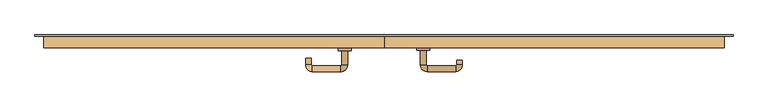
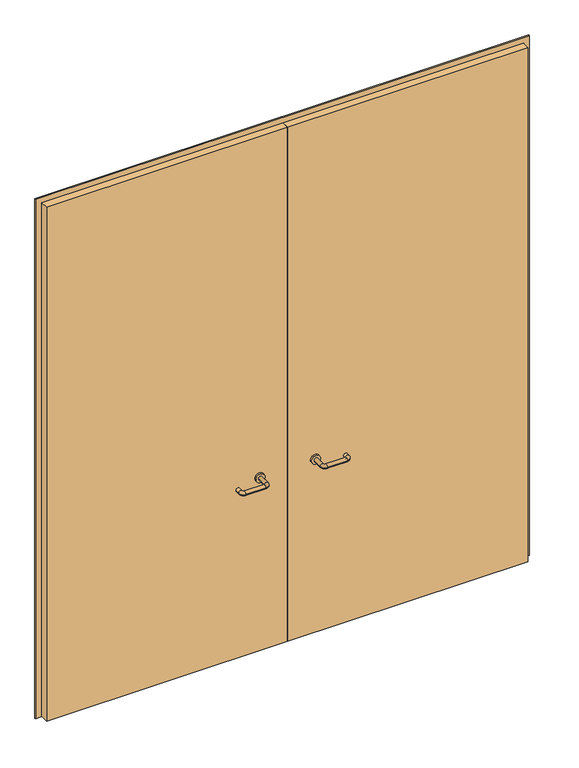
"""IFC4 building model written with IfcOpenShell, lengths in millimetres: door geometry."""

from ifc_helpers import new_model, si_unit, point, frame, frame_2d, origin, place, context, project, spatial, polyline, circle_curve, ellipse_curve, trimmed, segment, composite_curve, outline, extrude, source, transform, mapped, element, save
from ifc_brep_helpers import plane_surface, cylinder_surface, revolved_surface, advanced_brep


def door_ccc81433(model_context):
    return source(origin(), model_context, "Body", "SolidModel", [
        extrude(outline(polyline([(3000.0, -1350.0), (0.0, -1350.0), (0.0, -1318.0), (2968.0, -1318.0), (2968.0, 1318.0), (0.0, 1318.0), (0.0, 1350.0), (3000.0, 1350.0), (3000.0, -1350.0)])), frame((0.0, 10.0, 0.0), z_axis=(0.0, 1.0, 0.0), x_axis=(0.0, 0.0, 1.0)), (0.0, 0.0, 1.0), 5.82419),
        advanced_brep(
        [(140.99898, -44.0, 1003.0), (162.99898, -44.0, 1003.0), (140.99898, -99.3525369, 1003.0), (162.99898, -99.3525369, 1003.0), (166.99898, -103.3525369, 1003.0), (166.99898, -125.3525369, 1003.0), (276.99898, -125.3525369, 1003.0), (276.99898, -103.3525369, 1003.0), (280.99898, -99.3525369, 1003.0), (302.99898, -99.3525369, 1003.0), (302.99898, -82.0, 1003.0), (280.99898, -82.0, 1003.0)],
        [
            (0, 1, circle_curve(frame((151.99898, -44.0, 1003.0), z_axis=(0.0, 1.0, 0.0), x_axis=(1.0, 0.0, 0.0)), 11.0)),
            (1, 0, circle_curve(frame((151.99898, -44.0, 1003.0), z_axis=(0.0, 1.0, 0.0), x_axis=(1.0, 0.0, 0.0)), 11.0)),
            (0, 2),
            (2, 3, circle_curve(frame((151.99898, -99.3525369, 1003.0), z_axis=(0.0, 1.0, 0.0), x_axis=(1.0, 0.0, 0.0)), 11.0)),
            (3, 1),
            (3, 2, circle_curve(frame((151.99898, -99.3525369, 1003.0), z_axis=(0.0, 1.0, 0.0), x_axis=(1.0, 0.0, 0.0)), 11.0)),
            (4, 3, circle_curve(frame((166.99898, -99.3525369, 1003.0), z_axis=(0.0, 0.0, -1.0), x_axis=(-1.0, 0.0, 0.0)), 4.0)),
            (2, 5, circle_curve(frame((166.99898, -99.3525369, 1003.0), z_axis=(0.0, 0.0, 1.0), x_axis=(-1.0, 0.0, 0.0)), 26.0)),
            (5, 4, circle_curve(frame((166.99898, -114.3525369, 1003.0), z_axis=(-1.0, 0.0, 0.0), x_axis=(0.0, 1.0, 0.0)), 11.0)),
            (4, 5, circle_curve(frame((166.99898, -114.3525369, 1003.0), z_axis=(-1.0, 0.0, 0.0), x_axis=(0.0, 1.0, 0.0)), 11.0)),
            (5, 6),
            (6, 7, circle_curve(frame((276.99898, -114.3525369, 1003.0), z_axis=(-1.0, 0.0, 0.0), x_axis=(0.0, 1.0, 0.0)), 11.0)),
            (7, 4),
            (7, 6, circle_curve(frame((276.99898, -114.3525369, 1003.0), z_axis=(-1.0, 0.0, 0.0), x_axis=(0.0, 1.0, 0.0)), 11.0)),
            (8, 7, circle_curve(frame((276.99898, -99.3525369, 1003.0), z_axis=(0.0, 0.0, -1.0), x_axis=(0.0, -1.0, 0.0)), 4.0)),
            (6, 9, circle_curve(frame((276.99898, -99.3525369, 1003.0), z_axis=(0.0, 0.0, 1.0), x_axis=(0.0, -1.0, 0.0)), 26.0)),
            (9, 8, circle_curve(frame((291.99898, -99.3525369, 1003.0), z_axis=(0.0, -1.0, 0.0), x_axis=(-1.0, 0.0, 0.0)), 11.0)),
            (8, 9, circle_curve(frame((291.99898, -99.3525369, 1003.0), z_axis=(0.0, -1.0, 0.0), x_axis=(-1.0, 0.0, 0.0)), 11.0)),
            (10, 11, circle_curve(frame((291.99898, -82.0, 1003.0), z_axis=(0.0, 1.0, 0.0), x_axis=(-1.0, 0.0, 0.0)), 11.0)),
            (11, 10, circle_curve(frame((291.99898, -82.0, 1003.0), z_axis=(0.0, 1.0, 0.0), x_axis=(-1.0, 0.0, 0.0)), 11.0)),
            (9, 10),
            (11, 8),
        ],
        [
            plane_surface(frame((140.99898, -44.0, 1003.0), z_axis=(0.0, 1.0, 0.0), x_axis=(0.0, 0.0, -1.0))),
            cylinder_surface(frame((151.99898, -44.0, 1003.0), z_axis=(0.0, 1.0, 0.0), x_axis=(1.0, 0.0, 0.0)), 11.0),
            revolved_surface(trimmed(ellipse_curve(frame((151.99898, -99.3525369, 1003.0), z_axis=(0.0, 1.0, 0.0), x_axis=(1.0, 0.0, 0.0)), 11.0, 11.0), [point((140.99898, -99.3525369, 1003.0))], [point((162.99898, -99.3525369, 1003.0))], True, "CARTESIAN"), (166.99898, -99.3525369, 1003.0), (0.0, 0.0, 1.0)),
            revolved_surface(trimmed(ellipse_curve(frame((151.99898, -99.3525369, 1003.0), z_axis=(0.0, 1.0, 0.0), x_axis=(1.0, 0.0, 0.0)), 11.0, 11.0), [point((162.99898, -99.3525369, 1003.0))], [point((140.99898, -99.3525369, 1003.0))], True, "CARTESIAN"), (166.99898, -99.3525369, 1003.0), (0.0, 0.0, 1.0)),
            cylinder_surface(frame((166.99898, -114.3525369, 1003.0), z_axis=(-1.0, 0.0, 0.0), x_axis=(0.0, 1.0, 0.0)), 11.0),
            revolved_surface(trimmed(ellipse_curve(frame((276.99898, -114.3525369, 1003.0), z_axis=(-1.0, 0.0, 0.0), x_axis=(0.0, 1.0, 0.0)), 11.0, 11.0), [point((276.99898, -125.3525369, 1003.0))], [point((276.99898, -103.3525369, 1003.0))], True, "CARTESIAN"), (276.99898, -99.3525369, 1003.0), (0.0, 0.0, 1.0)),
            revolved_surface(trimmed(ellipse_curve(frame((276.99898, -114.3525369, 1003.0), z_axis=(-1.0, 0.0, 0.0), x_axis=(0.0, 1.0, 0.0)), 11.0, 11.0), [point((276.99898, -103.3525369, 1003.0))], [point((276.99898, -125.3525369, 1003.0))], True, "CARTESIAN"), (276.99898, -99.3525369, 1003.0), (0.0, 0.0, 1.0)),
            plane_surface(frame((280.99898, -82.0, 1003.0), z_axis=(0.0, 1.0, 0.0), x_axis=(0.0, 0.0, 1.0))),
            cylinder_surface(frame((291.99898, -99.3525369, 1003.0), z_axis=(0.0, -1.0, 0.0), x_axis=(-1.0, 0.0, 0.0)), 11.0),
        ],
        [
            (0, [[1, 2]]),
            (1, [[-1, 3, 4, 5]]),
            (1, [[-2, -5, 6, -3]]),
            (2, [[7, -4, 8, 9]]),
            (3, [[-8, -6, -7, 10]]),
            (4, [[-9, 11, 12, 13]]),
            (4, [[-10, -13, 14, -11]]),
            (5, [[15, -12, 16, 17]]),
            (6, [[-16, -14, -15, 18]]),
            (7, [[19, 20]]),
            (8, [[-17, 21, -20, 22]]),
            (8, [[-18, -22, -19, -21]]),
        ],
    ),
        extrude(outline(composite_curve([segment(trimmed(circle_curve(frame_2d((1003.0, 151.99898)), 25.0), [point((1003.0, 126.99898))], [point((1003.0, 176.99898))], False, "CARTESIAN"), True, "CONTINUOUS"), segment(trimmed(circle_curve(frame_2d((1003.0, 151.99898)), 25.0), [point((1003.0, 176.99898))], [point((1003.0, 126.99898))], False, "CARTESIAN"), True, "CONTINUOUS")], self_intersect=False)), frame((0.0, -44.0, 0.0), z_axis=(0.0, 1.0, 0.0), x_axis=(0.0, 0.0, 1.0)), (0.0, 0.0, 1.0), 10.0),
        advanced_brep(
        [(-162.99898, -44.3113879, 1003.0), (-140.99898, -44.3113879, 1003.0), (-162.99898, -99.7220447, 1003.0), (-140.99898, -99.7220447, 1003.0), (-166.99898, -125.7220447, 1003.0), (-166.99898, -103.7220447, 1003.0), (-276.99898, -103.7220447, 1003.0), (-276.99898, -125.7220447, 1003.0), (-302.99898, -99.7220447, 1003.0), (-280.99898, -99.7220447, 1003.0), (-280.99898, -74.7220447, 1003.0), (-302.99898, -74.7220447, 1003.0)],
        [
            (0, 1, circle_curve(frame((-151.99898, -44.3113879, 1003.0), z_axis=(0.0, 1.0, 0.0), x_axis=(1.0, 0.0, 0.0)), 11.0)),
            (1, 0, circle_curve(frame((-151.99898, -44.3113879, 1003.0), z_axis=(0.0, 1.0, 0.0), x_axis=(1.0, 0.0, 0.0)), 11.0)),
            (0, 2),
            (2, 3, circle_curve(frame((-151.99898, -99.7220447, 1003.0), z_axis=(0.0, 1.0, 0.0), x_axis=(1.0, 0.0, 0.0)), 11.0)),
            (3, 1),
            (3, 2, circle_curve(frame((-151.99898, -99.7220447, 1003.0), z_axis=(0.0, 1.0, 0.0), x_axis=(1.0, 0.0, 0.0)), 11.0)),
            (4, 3, circle_curve(frame((-166.99898, -99.7220447, 1003.0), z_axis=(0.0, 0.0, 1.0), x_axis=(1.0, 0.0, 0.0)), 26.0)),
            (2, 5, circle_curve(frame((-166.99898, -99.7220447, 1003.0), z_axis=(0.0, 0.0, -1.0), x_axis=(1.0, 0.0, 0.0)), 4.0)),
            (5, 4, circle_curve(frame((-166.99898, -114.7220447, 1003.0), z_axis=(1.0, 0.0, 0.0), x_axis=(0.0, -1.0, 0.0)), 11.0)),
            (4, 5, circle_curve(frame((-166.99898, -114.7220447, 1003.0), z_axis=(1.0, 0.0, 0.0), x_axis=(0.0, -1.0, 0.0)), 11.0)),
            (5, 6),
            (6, 7, circle_curve(frame((-276.99898, -114.7220447, 1003.0), z_axis=(1.0, 0.0, 0.0), x_axis=(0.0, -1.0, 0.0)), 11.0)),
            (7, 4),
            (7, 6, circle_curve(frame((-276.99898, -114.7220447, 1003.0), z_axis=(1.0, 0.0, 0.0), x_axis=(0.0, -1.0, 0.0)), 11.0)),
            (8, 7, circle_curve(frame((-276.99898, -99.7220447, 1003.0), z_axis=(0.0, 0.0, 1.0), x_axis=(0.0, -1.0, 0.0)), 26.0)),
            (6, 9, circle_curve(frame((-276.99898, -99.7220447, 1003.0), z_axis=(0.0, 0.0, -1.0), x_axis=(0.0, -1.0, 0.0)), 4.0)),
            (9, 8, circle_curve(frame((-291.99898, -99.7220447, 1003.0), z_axis=(0.0, -1.0, 0.0), x_axis=(-1.0, 0.0, 0.0)), 11.0)),
            (8, 9, circle_curve(frame((-291.99898, -99.7220447, 1003.0), z_axis=(0.0, -1.0, 0.0), x_axis=(-1.0, 0.0, 0.0)), 11.0)),
            (10, 11, circle_curve(frame((-291.99898, -74.7220447, 1003.0), z_axis=(0.0, 1.0, 0.0), x_axis=(-1.0, 0.0, 0.0)), 11.0)),
            (11, 10, circle_curve(frame((-291.99898, -74.7220447, 1003.0), z_axis=(0.0, 1.0, 0.0), x_axis=(-1.0, 0.0, 0.0)), 11.0)),
            (9, 10),
            (11, 8),
        ],
        [
            plane_surface(frame((-162.99898, -44.3113879, 1003.0), z_axis=(0.0, 1.0, 0.0), x_axis=(0.0, 0.0, -1.0))),
            cylinder_surface(frame((-151.99898, -44.3113879, 1003.0), z_axis=(0.0, 1.0, 0.0), x_axis=(1.0, 0.0, 0.0)), 11.0),
            revolved_surface(trimmed(ellipse_curve(frame((-151.99898, -99.7220447, 1003.0), z_axis=(0.0, 1.0, 0.0), x_axis=(1.0, 0.0, 0.0)), 11.0, 11.0), [point((-162.99898, -99.7220447, 1003.0))], [point((-140.99898, -99.7220447, 1003.0))], True, "CARTESIAN"), (-166.99898, -99.7220447, 1003.0), (0.0, 0.0, -1.0)),
            revolved_surface(trimmed(ellipse_curve(frame((-151.99898, -99.7220447, 1003.0), z_axis=(0.0, 1.0, 0.0), x_axis=(1.0, 0.0, 0.0)), 11.0, 11.0), [point((-140.99898, -99.7220447, 1003.0))], [point((-162.99898, -99.7220447, 1003.0))], True, "CARTESIAN"), (-166.99898, -99.7220447, 1003.0), (0.0, 0.0, -1.0)),
            cylinder_surface(frame((-166.99898, -114.7220447, 1003.0), z_axis=(1.0, 0.0, 0.0), x_axis=(0.0, -1.0, 0.0)), 11.0),
            revolved_surface(trimmed(ellipse_curve(frame((-276.99898, -114.7220447, 1003.0), z_axis=(1.0, 0.0, 0.0), x_axis=(0.0, -1.0, 0.0)), 11.0, 11.0), [point((-276.99898, -103.7220447, 1003.0))], [point((-276.99898, -125.7220447, 1003.0))], True, "CARTESIAN"), (-276.99898, -99.7220447, 1003.0), (0.0, 0.0, -1.0)),
            revolved_surface(trimmed(ellipse_curve(frame((-276.99898, -114.7220447, 1003.0), z_axis=(1.0, 0.0, 0.0), x_axis=(0.0, -1.0, 0.0)), 11.0, 11.0), [point((-276.99898, -125.7220447, 1003.0))], [point((-276.99898, -103.7220447, 1003.0))], True, "CARTESIAN"), (-276.99898, -99.7220447, 1003.0), (0.0, 0.0, -1.0)),
            plane_surface(frame((-302.99898, -74.7220447, 1003.0), z_axis=(0.0, 1.0, 0.0), x_axis=(0.0, 0.0, 1.0))),
            cylinder_surface(frame((-291.99898, -99.7220447, 1003.0), z_axis=(0.0, -1.0, 0.0), x_axis=(-1.0, 0.0, 0.0)), 11.0),
        ],
        [
            (0, [[1, 2]]),
            (1, [[-1, 3, 4, 5]]),
            (1, [[-2, -5, 6, -3]]),
            (2, [[7, -4, 8, 9]]),
            (3, [[-8, -6, -7, 10]]),
            (4, [[-9, 11, 12, 13]]),
            (4, [[-10, -13, 14, -11]]),
            (5, [[15, -12, 16, 17]]),
            (6, [[-16, -14, -15, 18]]),
            (7, [[19, 20]]),
            (8, [[-17, 21, -20, 22]]),
            (8, [[-18, -22, -19, -21]]),
        ],
    ),
        extrude(outline(composite_curve([segment(trimmed(circle_curve(frame_2d((1003.0, -151.99898)), 25.0), [point((1003.0, -176.99898))], [point((1003.0, -126.99898))], False, "CARTESIAN"), True, "CONTINUOUS"), segment(trimmed(circle_curve(frame_2d((1003.0, -151.99898)), 25.0), [point((1003.0, -126.99898))], [point((1003.0, -176.99898))], False, "CARTESIAN"), True, "CONTINUOUS")], self_intersect=False)), frame((0.0, -44.3113879, 0.0), z_axis=(0.0, 1.0, 0.0), x_axis=(0.0, 0.0, 1.0)), (0.0, 0.0, 1.0), 10.3113879),
        extrude(outline(polyline([(1.0739506, -34.0), (-1315.0, -34.0), (-1315.0, 10.0), (1.0739506, 10.0), (1.0739506, -34.0)])), frame((0.0, 0.0, 1.753223), z_axis=(0.0, 0.0, 1.0), x_axis=(1.0, 0.0, 0.0)), (0.0, 0.0, 1.0), 2966.246777),
        extrude(outline(polyline([(1315.0, -34.0), (1.0739506, -34.0), (1.0739506, 10.0), (1315.0, 10.0), (1315.0, -34.0)])), frame((0.0, 0.0, 1.753223), z_axis=(0.0, 0.0, 1.0), x_axis=(1.0, 0.0, 0.0)), (0.0, 0.0, 1.0), 2966.246777),
    ])


if __name__ == "__main__":
    model = new_model("IFC4")
    model_context = context("Model", 3, world=origin())
    ifc_project = project(units=[si_unit("LENGTHUNIT", "METRE", prefix="MILLI")], contexts=[model_context])
    site = spatial("IfcSite", under=ifc_project)
    building = spatial("IfcBuilding", under=site)
    placement = place(None, origin())
    door_shape = door_ccc81433(model_context)
    element("IfcDoor", 1, at=placement, inside=building, context=model_context, shape_type="MappedRepresentation", body=[
        mapped(door_shape, transform((0.0, 0.0, 0.0), x_axis=(1.0, 0.0, 0.0), y_axis=(0.0, 1.0, 0.0), z_axis=(0.0, 0.0, 1.0))),
    ])
    save(model, "model.ifc")
